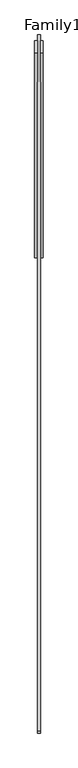
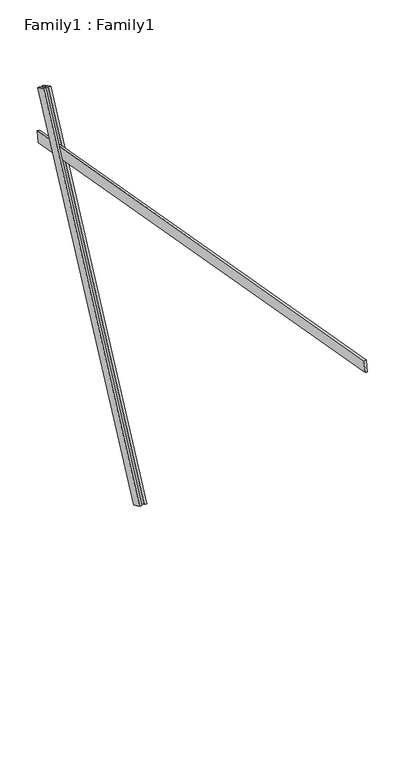
"""IFC4 building model written with IfcOpenShell, lengths in millimetres: proxy geometry, Family1 : Family1."""

from ifc_helpers import new_model, si_unit, frame, origin, place, context, project, spatial, polyline, outline, extrude, source, transform, mapped, element, save


def family1_family1_d8c510cf(model_context):
    return source(origin(), model_context, "Body", "SweptSolid", [
        extrude(outline(polyline([(0.0, 0.0), (0.0, -20.0), (-100.0000001, -20.0), (-100.0000001, 0.0), (0.0, 0.0)])), frame((-30.0, 46.3241747, -22.5938096), z_axis=(0.0, 0.4383711467890692, 0.8987940462991711), x_axis=(0.0, 0.8987940462991711, -0.4383711467890692)), (0.0, 0.0, 1.0), 3300.0),
        extrude(outline(polyline([(0.0, 0.0), (0.0, -20.0), (-99.9999999, -20.0), (-99.9999999, 0.0), (0.0, 0.0)])), frame((10.0, 45.270232, -22.0797674), z_axis=(0.0, 0.4383711467890692, 0.8987940462991711), x_axis=(0.0, 0.8987940462991711, -0.4383711467890692)), (0.0, 0.0, 1.0), 3300.0),
        extrude(outline(polyline([(0.0, -20.0), (0.0, 0.0), (5000.0, 0.0), (5000.0, -20.0), (0.0, -20.0)])), frame((-10.0, -3408.1284885, 3283.2276554), z_axis=(0.0, 0.17364817766693277, 0.9848077530122078), x_axis=(0.0, 0.9848077530122078, -0.17364817766693277)), (0.0, 0.0, 1.0), 100.0),
    ])


if __name__ == "__main__":
    model = new_model("IFC4")
    model_context = context("Model", 3, world=origin())
    ifc_project = project(units=[si_unit("LENGTHUNIT", "METRE", prefix="MILLI")], contexts=[model_context])
    site = spatial("IfcSite", under=ifc_project)
    building = spatial("IfcBuilding", under=site)
    placement = place(None, origin())
    family1_family1_shape = family1_family1_d8c510cf(model_context)
    element("IfcBuildingElementProxy", 1, Name="Family1 : Family1", ObjectType="Family1 : Family1", at=placement, inside=building, context=model_context, shape_type="MappedRepresentation", body=[
        mapped(family1_family1_shape, transform((0.0, 0.0, 0.0), x_axis=(1.0, 0.0, 0.0), y_axis=(0.0, 1.0, 0.0), z_axis=(0.0, 0.0, 1.0))),
    ])
    save(model, "model.ifc")
